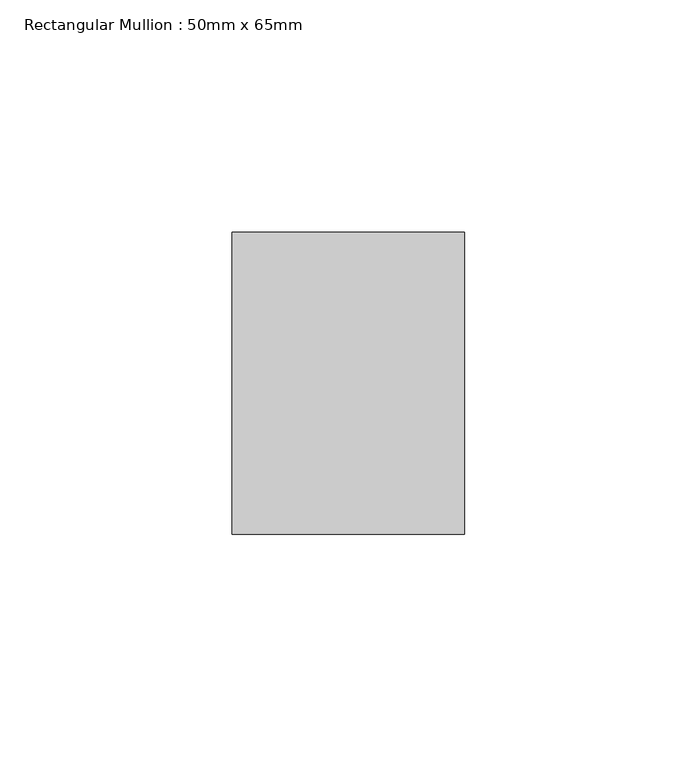
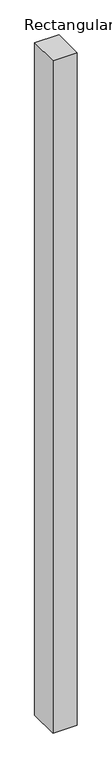
"""IFC4 building model written with IfcOpenShell, lengths in millimetres: member geometry, Rectangular Mullion : 50mm x 65mm."""

from ifc_helpers import new_model, si_unit, frame, origin, place, context, project, spatial, polyline, outline, extrude, source, transform, mapped, element, save


def rectangular_mullion_50mm_x_65mm_3c9af0d4(model_context):
    return source(origin(), model_context, "Body", "SweptSolid", [
        extrude(outline(polyline([(25.0, 32.5), (25.0, -32.5), (-25.0, -32.5), (-25.0, 32.5), (25.0, 32.5)])), frame((0.0, 0.0, -1473.7158806), z_axis=(0.0, 0.0, 1.0), x_axis=(1.0, 0.0, 0.0)), (0.0, 0.0, 1.0), 1473.7158806),
    ])


if __name__ == "__main__":
    model = new_model("IFC4")
    model_context = context("Model", 3, world=origin())
    ifc_project = project(units=[si_unit("LENGTHUNIT", "METRE", prefix="MILLI")], contexts=[model_context])
    site = spatial("IfcSite", under=ifc_project)
    building = spatial("IfcBuilding", under=site)
    placement = place(None, origin())
    rectangular_mullion_50mm_x_65mm_shape = rectangular_mullion_50mm_x_65mm_3c9af0d4(model_context)
    element("IfcMember", 1, ObjectType="Rectangular Mullion : 50mm x 65mm", at=placement, inside=building, context=model_context, shape_type="MappedRepresentation", body=[
        mapped(rectangular_mullion_50mm_x_65mm_shape, transform((0.0, 0.0, 0.0), x_axis=(1.0, 0.0, 0.0), y_axis=(0.0, 1.0, 0.0), z_axis=(0.0, 0.0, 1.0))),
    ])
    save(model, "model.ifc")
